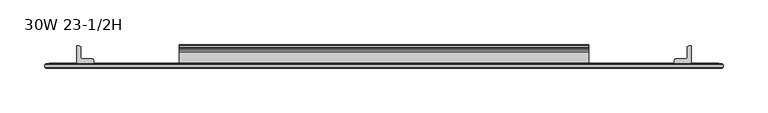
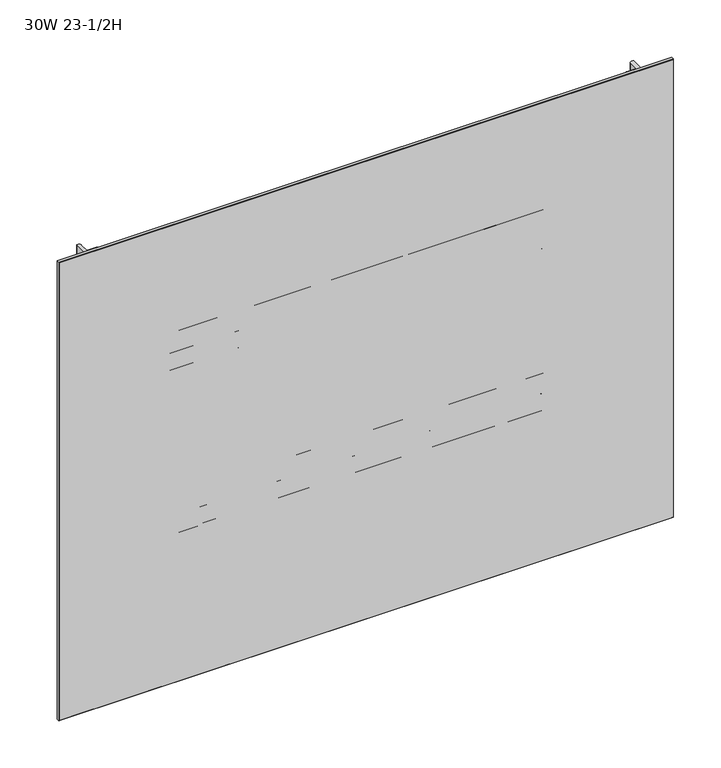
"""IFC4 building model written with IfcOpenShell, lengths in millimetres: furniture geometry, 30W 23-1/2H."""

from ifc_helpers import new_model, si_unit, point, frame, frame_2d, origin, place, context, project, spatial, polyline, circle_curve, trimmed, segment, composite_curve, outline, extrude, faceted_brep, source, transform, mapped, element, save


def furniture_30w_23_1_2h_83dabb64(model_context):
    return source(origin(), model_context, "Body", "SolidModel", [
        extrude(outline(composite_curve([segment(polyline([(-5.2324, 902.4059175), (-5.2324, 923.5244434)]), True, "CONTINUOUS"), segment(trimmed(circle_curve(frame_2d((-4.677496, 923.5244434)), 0.554904), [point((-5.2324, 923.5244434))], [point((-4.5338691, 924.0604377))], False, "CARTESIAN"), True, "CONTINUOUS"), segment(polyline([(-4.5338691, 924.0604377), (-3.3274001, 923.7371481), (-2.3976956, 922.807481), (-2.0574001, 921.5374277), (-2.0574001, 908.7676431)]), True, "CONTINUOUS"), segment(trimmed(circle_curve(frame_2d((-1.4921701, 908.7676431)), 0.5652299), [point((-2.0574001, 908.7676431))], [point((-1.4921701, 908.2024132))], True, "CARTESIAN"), True, "CONTINUOUS"), segment(polyline([(-1.4921701, 908.2024132), (0.5143951, 908.2024132)]), True, "CONTINUOUS"), segment(trimmed(circle_curve(frame_2d((0.5143951, 907.5992083)), 0.6032049), [point((0.5143951, 908.2024132))], [point((1.1176, 907.5992083))], False, "CARTESIAN"), True, "CONTINUOUS"), segment(polyline([(1.1176, 907.5992083), (1.1176, 876.4846046)]), True, "CONTINUOUS"), segment(trimmed(circle_curve(frame_2d((0.6637885, 879.1738096)), 2.7272272), [point((1.1176, 876.4846046))], [point((-2.0574001, 878.9924229))], False, "CARTESIAN"), True, "CONTINUOUS"), segment(polyline([(-2.0574001, 878.9924229), (-2.0574001, 901.3081717)]), True, "CONTINUOUS"), segment(trimmed(circle_curve(frame_2d((-2.6016657, 901.3081717)), 0.5442657), [point((-2.0574001, 901.3081717))], [point((-2.6016657, 901.8524374))], True, "CARTESIAN"), True, "CONTINUOUS"), segment(polyline([(-2.6016657, 901.8524374), (-4.6789199, 901.8524374)]), True, "CONTINUOUS"), segment(trimmed(circle_curve(frame_2d((-4.6789199, 902.4059175)), 0.5534801), [point((-4.6789199, 901.8524374))], [point((-5.2324, 902.4059175))], False, "CARTESIAN"), True, "CONTINUOUS")], self_intersect=False)), frame((152.4, 0.0, 0.0), z_axis=(1.0, 0.0, 0.0), x_axis=(0.0, 1.0, 0.0)), (0.0, 0.0, 1.0), 457.2),
        extrude(outline(composite_curve([segment(polyline([(-7.1373999, 955.8274132), (-4.5974, 955.1468588), (-2.7379909, 953.2874519), (-2.0574001, 950.747418), (-2.0574001, 929.1337352)]), True, "CONTINUOUS"), segment(trimmed(circle_curve(frame_2d((-1.4969277, 929.1337352)), 0.5604724), [point((-2.0574001, 929.1337352))], [point((-1.4969277, 928.5732628))], True, "CARTESIAN"), True, "CONTINUOUS"), segment(polyline([(-1.4969277, 928.5732628), (0.4039455, 928.5732628)]), True, "CONTINUOUS"), segment(trimmed(circle_curve(frame_2d((0.4039455, 927.8596084)), 0.7136544), [point((0.4039455, 928.5732628))], [point((1.1176, 927.8596084))], False, "CARTESIAN"), True, "CONTINUOUS"), segment(polyline([(1.1176, 927.8596084), (1.1176, 909.5034694)]), True, "CONTINUOUS"), segment(trimmed(circle_curve(frame_2d((0.4746932, 909.5034694)), 0.6429068), [point((1.1176, 909.5034694))], [point((-0.1003385, 909.2159495))], False, "CARTESIAN"), True, "CONTINUOUS"), segment(polyline([(-0.1003385, 909.2159495), (-1.8183367, 912.6518984)]), True, "CONTINUOUS"), segment(trimmed(circle_curve(frame_2d((0.2069874, 913.6645745)), 2.2643874), [point((-1.8183367, 912.6518984))], [point((-2.0574001, 913.6645745))], False, "CARTESIAN"), True, "CONTINUOUS"), segment(polyline([(-2.0574001, 913.6645745), (-2.0574001, 923.3402528)]), True, "CONTINUOUS"), segment(trimmed(circle_curve(frame_2d((-2.7946089, 923.3402528)), 0.7372088), [point((-2.0574001, 923.3402528))], [point((-2.7946089, 924.0774616))], True, "CARTESIAN"), True, "CONTINUOUS"), segment(polyline([(-2.7946089, 924.0774616), (-19.4564001, 924.0774616), (-19.4564001, 955.8274132), (-7.1373999, 955.8274132)]), True, "CONTINUOUS")], self_intersect=False), holes=[composite_curve([segment(trimmed(circle_curve(frame_2d((-13.0222745, 950.5363262)), 2.7511257), [point((-13.0222745, 953.2874519))], [point((-15.7734002, 950.5363262))], True, "CARTESIAN"), True, "CONTINUOUS"), segment(polyline([(-15.7734002, 950.5363262), (-15.7734002, 929.2014781)]), True, "CONTINUOUS"), segment(trimmed(circle_curve(frame_2d((-13.189345, 929.2014781)), 2.5840552), [point((-15.7734002, 929.2014781))], [point((-13.189345, 926.6174229))], True, "CARTESIAN"), True, "CONTINUOUS"), segment(polyline([(-13.189345, 926.6174229), (-7.4218653, 926.6174229)]), True, "CONTINUOUS"), segment(trimmed(circle_curve(frame_2d((-7.4218653, 929.4418881)), 2.8244652), [point((-7.4218653, 926.6174229))], [point((-4.5974, 929.4418881))], True, "CARTESIAN"), True, "CONTINUOUS"), segment(polyline([(-4.5974, 929.4418881), (-4.5974, 950.6103081)]), True, "CONTINUOUS"), segment(trimmed(circle_curve(frame_2d((-7.2745438, 950.6103081)), 2.6771438), [point((-4.5974, 950.6103081))], [point((-7.2745438, 953.2874519))], True, "CARTESIAN"), True, "CONTINUOUS"), segment(polyline([(-7.2745438, 953.2874519), (-13.0222745, 953.2874519)]), True, "CONTINUOUS")], self_intersect=False)]), frame((152.4, 0.0, 0.0), z_axis=(1.0, 0.0, 0.0), x_axis=(0.0, 1.0, 0.0)), (0.0, 0.0, 1.0), 457.2),
        extrude(outline(composite_curve([segment(polyline([(-5.2324, 1115.1182044), (-5.2324, 1136.2367302)]), True, "CONTINUOUS"), segment(trimmed(circle_curve(frame_2d((-4.677496, 1136.2367302)), 0.554904), [point((-5.2324, 1136.2367302))], [point((-4.5338691, 1136.7727245))], False, "CARTESIAN"), True, "CONTINUOUS"), segment(polyline([(-4.5338691, 1136.7727245), (-3.3274001, 1136.4494349), (-2.3976956, 1135.5197678), (-2.0574001, 1134.2497145), (-2.0574001, 1121.4799299)]), True, "CONTINUOUS"), segment(trimmed(circle_curve(frame_2d((-1.4921701, 1121.4799299)), 0.5652299), [point((-2.0574001, 1121.4799299))], [point((-1.4921701, 1120.9147))], True, "CARTESIAN"), True, "CONTINUOUS"), segment(polyline([(-1.4921701, 1120.9147), (0.5143951, 1120.9147)]), True, "CONTINUOUS"), segment(trimmed(circle_curve(frame_2d((0.5143951, 1120.3114951)), 0.6032049), [point((0.5143951, 1120.9147))], [point((1.1176, 1120.3114951))], False, "CARTESIAN"), True, "CONTINUOUS"), segment(polyline([(1.1176, 1120.3114951), (1.1176, 1089.1968914)]), True, "CONTINUOUS"), segment(trimmed(circle_curve(frame_2d((0.6637885, 1091.8860964)), 2.7272272), [point((1.1176, 1089.1968914))], [point((-2.0574001, 1091.7047097))], False, "CARTESIAN"), True, "CONTINUOUS"), segment(polyline([(-2.0574001, 1091.7047097), (-2.0574001, 1114.0204586)]), True, "CONTINUOUS"), segment(trimmed(circle_curve(frame_2d((-2.6016657, 1114.0204586)), 0.5442657), [point((-2.0574001, 1114.0204586))], [point((-2.6016657, 1114.5647242))], True, "CARTESIAN"), True, "CONTINUOUS"), segment(polyline([(-2.6016657, 1114.5647242), (-4.6789199, 1114.5647242)]), True, "CONTINUOUS"), segment(trimmed(circle_curve(frame_2d((-4.6789199, 1115.1182044)), 0.5534801), [point((-4.6789199, 1114.5647242))], [point((-5.2324, 1115.1182044))], False, "CARTESIAN"), True, "CONTINUOUS")], self_intersect=False)), frame((152.4, 0.0, 0.0), z_axis=(1.0, 0.0, 0.0), x_axis=(0.0, 1.0, 0.0)), (0.0, 0.0, 1.0), 457.2),
        extrude(outline(composite_curve([segment(polyline([(-7.1373999, 1168.5397), (-4.5974, 1167.8591456), (-2.7379909, 1165.9997388), (-2.0574001, 1163.4597048), (-2.0574001, 1141.846022)]), True, "CONTINUOUS"), segment(trimmed(circle_curve(frame_2d((-1.4969277, 1141.846022)), 0.5604724), [point((-2.0574001, 1141.846022))], [point((-1.4969277, 1141.2855496))], True, "CARTESIAN"), True, "CONTINUOUS"), segment(polyline([(-1.4969277, 1141.2855496), (0.4039455, 1141.2855496)]), True, "CONTINUOUS"), segment(trimmed(circle_curve(frame_2d((0.4039455, 1140.5718952)), 0.7136544), [point((0.4039455, 1141.2855496))], [point((1.1176, 1140.5718952))], False, "CARTESIAN"), True, "CONTINUOUS"), segment(polyline([(1.1176, 1140.5718952), (1.1176, 1122.2157562)]), True, "CONTINUOUS"), segment(trimmed(circle_curve(frame_2d((0.4746932, 1122.2157562)), 0.6429068), [point((1.1176, 1122.2157562))], [point((-0.1003385, 1121.9282364))], False, "CARTESIAN"), True, "CONTINUOUS"), segment(polyline([(-0.1003385, 1121.9282364), (-1.8183367, 1125.3641852)]), True, "CONTINUOUS"), segment(trimmed(circle_curve(frame_2d((0.2069874, 1126.3768613)), 2.2643874), [point((-1.8183367, 1125.3641852))], [point((-2.0574001, 1126.3768613))], False, "CARTESIAN"), True, "CONTINUOUS"), segment(polyline([(-2.0574001, 1126.3768613), (-2.0574001, 1136.0525396)]), True, "CONTINUOUS"), segment(trimmed(circle_curve(frame_2d((-2.7946089, 1136.0525396)), 0.7372088), [point((-2.0574001, 1136.0525396))], [point((-2.7946089, 1136.7897484))], True, "CARTESIAN"), True, "CONTINUOUS"), segment(polyline([(-2.7946089, 1136.7897484), (-19.4564001, 1136.7897484), (-19.4564001, 1168.5397), (-7.1373999, 1168.5397)]), True, "CONTINUOUS")], self_intersect=False), holes=[composite_curve([segment(trimmed(circle_curve(frame_2d((-13.0222745, 1163.248613)), 2.7511257), [point((-13.0222745, 1165.9997388))], [point((-15.7734002, 1163.248613))], True, "CARTESIAN"), True, "CONTINUOUS"), segment(polyline([(-15.7734002, 1163.248613), (-15.7734002, 1141.9137649)]), True, "CONTINUOUS"), segment(trimmed(circle_curve(frame_2d((-13.189345, 1141.9137649)), 2.5840552), [point((-15.7734002, 1141.9137649))], [point((-13.189345, 1139.3297097))], True, "CARTESIAN"), True, "CONTINUOUS"), segment(polyline([(-13.189345, 1139.3297097), (-7.4218653, 1139.3297097)]), True, "CONTINUOUS"), segment(trimmed(circle_curve(frame_2d((-7.4218653, 1142.1541749)), 2.8244652), [point((-7.4218653, 1139.3297097))], [point((-4.5974, 1142.1541749))], True, "CARTESIAN"), True, "CONTINUOUS"), segment(polyline([(-4.5974, 1142.1541749), (-4.5974, 1163.322595)]), True, "CONTINUOUS"), segment(trimmed(circle_curve(frame_2d((-7.2745438, 1163.322595)), 2.6771438), [point((-4.5974, 1163.322595))], [point((-7.2745438, 1165.9997388))], True, "CARTESIAN"), True, "CONTINUOUS"), segment(polyline([(-7.2745438, 1165.9997388), (-13.0222745, 1165.9997388)]), True, "CONTINUOUS")], self_intersect=False)]), frame((152.4, 0.0, 0.0), z_axis=(1.0, 0.0, 0.0), x_axis=(0.0, 1.0, 0.0)), (0.0, 0.0, 1.0), 457.2),
        extrude(outline(composite_curve([segment(trimmed(circle_curve(frame_2d((723.3524764, -18.9088765)), 0.5475236), [point((723.9, -18.9088765))], [point((723.3524764, -19.4564001))], False, "CARTESIAN"), True, "CONTINUOUS"), segment(polyline([(723.3524764, -19.4564001), (705.4113866, -19.4564001)]), True, "CONTINUOUS"), segment(trimmed(circle_curve(frame_2d((705.4113866, -18.8950135)), 0.5613866), [point((705.4113866, -19.4564001))], [point((704.85, -18.8950135))], False, "CARTESIAN"), True, "CONTINUOUS"), segment(polyline([(704.85, -18.8950135), (704.85, -16.8669745)]), True, "CONTINUOUS"), segment(trimmed(circle_curve(frame_2d((707.4294745, -16.8669745)), 2.5794745), [point((704.85, -16.8669745))], [point((707.4294745, -14.2875))], False, "CARTESIAN"), True, "CONTINUOUS"), segment(polyline([(707.4294745, -14.2875), (718.4787912, -14.2875)]), True, "CONTINUOUS"), segment(trimmed(circle_curve(frame_2d((718.4787912, -13.6414903)), 0.6460097), [point((718.4787912, -14.2875))], [point((719.1248009, -13.6414903))], True, "CARTESIAN"), True, "CONTINUOUS"), segment(polyline([(719.1248009, -13.6414903), (719.1248009, -2.768893)]), True, "CONTINUOUS"), segment(trimmed(circle_curve(frame_2d((721.8936939, -2.768893)), 2.768893), [point((719.1248009, -2.768893))], [point((721.8936939, 0.0))], False, "CARTESIAN"), True, "CONTINUOUS"), segment(polyline([(721.8936939, 0.0), (723.3082199, 0.0)]), True, "CONTINUOUS"), segment(trimmed(circle_curve(frame_2d((723.3082199, -0.5917801)), 0.5917801), [point((723.3082199, 0.0))], [point((723.9, -0.5917801))], False, "CARTESIAN"), True, "CONTINUOUS"), segment(polyline([(723.9, -0.5917801), (723.9, -18.9088765)]), True, "CONTINUOUS")], self_intersect=False)), frame((0.0, 0.0, 728.98), z_axis=(0.0, 0.0, 1.0), x_axis=(1.0, 0.0, 0.0)), (0.0, 0.0, 1.0), 587.3623),
        extrude(outline(composite_curve([segment(polyline([(38.1, -18.9088765), (38.1, -0.5917801)]), True, "CONTINUOUS"), segment(trimmed(circle_curve(frame_2d((38.6917801, -0.5917801)), 0.5917801), [point((38.1, -0.5917801))], [point((38.6917801, 0.0))], False, "CARTESIAN"), True, "CONTINUOUS"), segment(polyline([(38.6917801, 0.0), (40.1063061, 0.0)]), True, "CONTINUOUS"), segment(trimmed(circle_curve(frame_2d((40.1063061, -2.768893)), 2.768893), [point((40.1063061, 0.0))], [point((42.8751991, -2.768893))], False, "CARTESIAN"), True, "CONTINUOUS"), segment(polyline([(42.8751991, -2.768893), (42.8751991, -13.6414903)]), True, "CONTINUOUS"), segment(trimmed(circle_curve(frame_2d((43.5212088, -13.6414903)), 0.6460097), [point((42.8751991, -13.6414903))], [point((43.5212088, -14.2875))], True, "CARTESIAN"), True, "CONTINUOUS"), segment(polyline([(43.5212088, -14.2875), (54.5705255, -14.2875)]), True, "CONTINUOUS"), segment(trimmed(circle_curve(frame_2d((54.5705255, -16.8669745)), 2.5794745), [point((54.5705255, -14.2875))], [point((57.15, -16.8669745))], False, "CARTESIAN"), True, "CONTINUOUS"), segment(polyline([(57.15, -16.8669745), (57.15, -18.8950135)]), True, "CONTINUOUS"), segment(trimmed(circle_curve(frame_2d((56.5886134, -18.8950135)), 0.5613866), [point((57.15, -18.8950135))], [point((56.5886134, -19.4564001))], False, "CARTESIAN"), True, "CONTINUOUS"), segment(polyline([(56.5886134, -19.4564001), (38.6475236, -19.4564001)]), True, "CONTINUOUS"), segment(trimmed(circle_curve(frame_2d((38.6475236, -18.9088765)), 0.5475236), [point((38.6475236, -19.4564001))], [point((38.1, -18.9088765))], False, "CARTESIAN"), True, "CONTINUOUS")], self_intersect=False)), frame((0.0, 0.0, 728.98), z_axis=(0.0, 0.0, 1.0), x_axis=(1.0, 0.0, 0.0)), (0.0, 0.0, 1.0), 587.3623),
        extrude(outline(polyline([(754.6975002, -20.0634601), (7.3024998, -20.0634601), (7.3024998, -19.4564001), (754.6975002, -19.4564001), (754.6975002, -20.0634601)])), frame((0.0, 0.0, 728.98), z_axis=(0.0, 0.0, 1.0), x_axis=(1.0, 0.0, 0.0)), (0.0, 0.0, 1.0), 587.3623),
        faceted_brep([(759.4600024, -24.0512595, 1321.1048), (759.4600024, -20.8508598, 1321.1048), (2.5400001, -20.8508598, 1321.1048), (2.5400001, -24.0512595, 1321.1048), (2.5400001, -24.0512595, 724.2048), (2.5400001, -20.8508598, 724.2048), (759.4600024, -20.8508598, 724.2048), (759.4600024, -24.0512595, 724.2048), (3.3274521, -24.8386592, 1320.3173481), (3.3274521, -24.8386592, 724.9922519), (758.6725505, -24.8386592, 724.9922519), (758.6725505, -24.8386592, 1320.3173481), (3.3274521, -20.0634601, 724.9922519), (3.3274521, -20.0634601, 1320.3173481), (758.6725505, -20.0634601, 1320.3173481), (758.6725505, -20.0634601, 724.9922519)], [[[0, 1, 2, 3]], [[4, 5, 6, 7]], [[8, 9, 10, 11]], [[1, 0, 7, 6]], [[12, 13, 14, 15]], [[3, 2, 5, 4]], [[12, 5, 2, 13]], [[4, 9, 8, 3]], [[5, 12, 15, 6]], [[9, 4, 7, 10]], [[6, 15, 14, 1]], [[10, 7, 0, 11]], [[13, 2, 1, 14]], [[3, 8, 11, 0]]]),
    ])


if __name__ == "__main__":
    model = new_model("IFC4")
    model_context = context("Model", 3, world=origin())
    ifc_project = project(units=[si_unit("LENGTHUNIT", "METRE", prefix="MILLI")], contexts=[model_context])
    site = spatial("IfcSite", under=ifc_project)
    building = spatial("IfcBuilding", under=site)
    placement = place(None, origin())
    furniture_30w_23_1_2h_shape = furniture_30w_23_1_2h_83dabb64(model_context)
    element("IfcFurniture", 1, ObjectType="30W 23-1/2H", at=placement, inside=building, context=model_context, shape_type="MappedRepresentation", body=[
        mapped(furniture_30w_23_1_2h_shape, transform((0.0, 0.0, 0.0), x_axis=(1.0, 0.0, 0.0), y_axis=(0.0, 1.0, 0.0), z_axis=(0.0, 0.0, 1.0))),
    ])
    save(model, "model.ifc")
